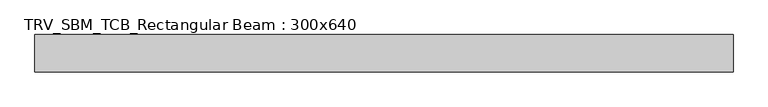
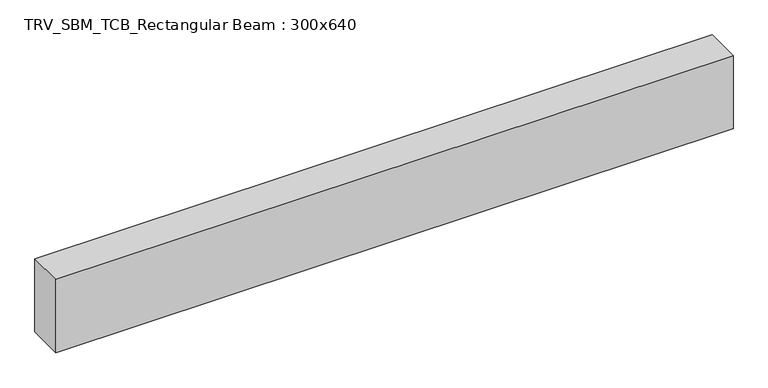
"""IFC4 building model written with IfcOpenShell, lengths in millimetres: beam geometry, TRV_SBM_TCB_Rectangular Beam : 300x640."""

from ifc_helpers import new_model, si_unit, frame, origin, place, context, project, spatial, polyline, outline, extrude, source, transform, mapped, element, save


def trv_sbm_tcb_rectangular_beam_300x640_6fad3989(model_context):
    return source(origin(), model_context, "Body", "SweptSolid", [
        extrude(outline(polyline([(2799.7, 150.0), (2799.7, -150.0), (-2799.7, -150.0), (-2799.7, 150.0), (2799.7, 150.0)])), frame((0.0, 0.0, -320.0), z_axis=(0.0, 0.0, 1.0), x_axis=(1.0, 0.0, 0.0)), (0.0, 0.0, 1.0), 640.0),
    ])


if __name__ == "__main__":
    model = new_model("IFC4")
    model_context = context("Model", 3, world=origin())
    ifc_project = project(units=[si_unit("LENGTHUNIT", "METRE", prefix="MILLI")], contexts=[model_context])
    site = spatial("IfcSite", under=ifc_project)
    building = spatial("IfcBuilding", under=site)
    placement = place(None, origin())
    trv_sbm_tcb_rectangular_beam_300x640_shape = trv_sbm_tcb_rectangular_beam_300x640_6fad3989(model_context)
    element("IfcBeam", 1, ObjectType="TRV_SBM_TCB_Rectangular Beam : 300x640", at=placement, inside=building, context=model_context, shape_type="MappedRepresentation", body=[
        mapped(trv_sbm_tcb_rectangular_beam_300x640_shape, transform((0.0, 0.0, 0.0), x_axis=(1.0, 0.0, 0.0), y_axis=(0.0, 1.0, 0.0), z_axis=(0.0, 0.0, 1.0))),
    ])
    save(model, "model.ifc")
